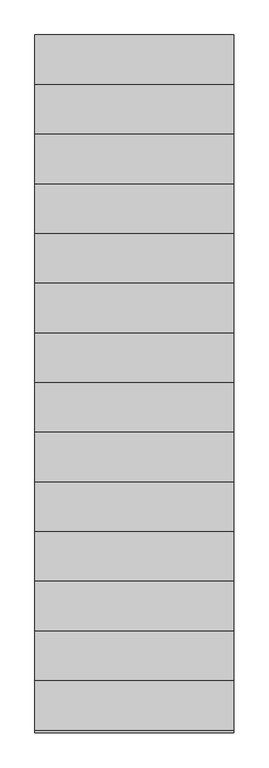
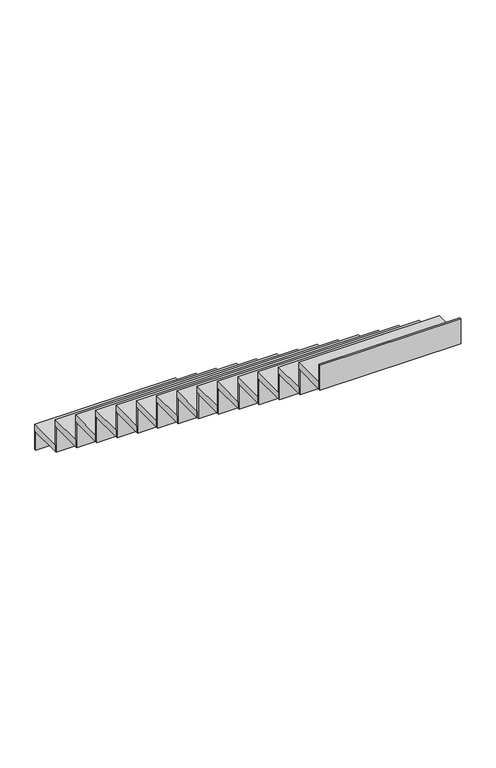
"""IFC4 building model written with IfcOpenShell, lengths in millimetres: stair flight geometry."""

from ifc_helpers import new_model, si_unit, frame, origin, origin_with_axes, place, context, project, spatial, polyline, outline, extrude, source, transform, mapped, element, save


def stair_flight_ae95f458(model_context):
    return source(origin(), model_context, "Body", "SweptSolid", [
        extrude(outline(polyline([(28619.9045205, 2081.9585326), (28619.9045205, 2094.4585326), (29619.9045205, 2094.4585326), (29619.9045205, 2081.9585326), (28619.9045205, 2081.9585326)])), origin_with_axes(), (0.0, 0.0, 1.0), 137.5),
        extrude(outline(polyline([(29619.9045205, 1844.4585326), (28619.9045205, 1844.4585326), (28619.9045205, 2094.4585326), (29619.9045205, 2094.4585326), (29619.9045205, 1844.4585326)])), frame((0.0, 0.0, 137.5), z_axis=(0.0, 0.0, 1.0), x_axis=(1.0, 0.0, 0.0)), (0.0, 0.0, 1.0), 50.0),
        extrude(outline(polyline([(28619.9045205, 1831.9585326), (28619.9045205, 1844.4585326), (29619.9045205, 1844.4585326), (29619.9045205, 1831.9585326), (28619.9045205, 1831.9585326)])), frame((0.0, 0.0, 137.5), z_axis=(0.0, 0.0, 1.0), x_axis=(1.0, 0.0, 0.0)), (0.0, 0.0, 1.0), 187.5),
        extrude(outline(polyline([(29619.9045205, 1594.4585326), (28619.9045205, 1594.4585326), (28619.9045205, 1844.4585326), (29619.9045205, 1844.4585326), (29619.9045205, 1594.4585326)])), frame((0.0, 0.0, 325.0), z_axis=(0.0, 0.0, 1.0), x_axis=(1.0, 0.0, 0.0)), (0.0, 0.0, 1.0), 50.0),
        extrude(outline(polyline([(28619.9045205, 1581.9585326), (28619.9045205, 1594.4585326), (29619.9045205, 1594.4585326), (29619.9045205, 1581.9585326), (28619.9045205, 1581.9585326)])), frame((0.0, 0.0, 325.0), z_axis=(0.0, 0.0, 1.0), x_axis=(1.0, 0.0, 0.0)), (0.0, 0.0, 1.0), 187.5),
        extrude(outline(polyline([(29619.9045205, 1344.4585326), (28619.9045205, 1344.4585326), (28619.9045205, 1594.4585326), (29619.9045205, 1594.4585326), (29619.9045205, 1344.4585326)])), frame((0.0, 0.0, 512.5), z_axis=(0.0, 0.0, 1.0), x_axis=(1.0, 0.0, 0.0)), (0.0, 0.0, 1.0), 50.0),
        extrude(outline(polyline([(28619.9045205, 1331.9585326), (28619.9045205, 1344.4585326), (29619.9045205, 1344.4585326), (29619.9045205, 1331.9585326), (28619.9045205, 1331.9585326)])), frame((0.0, 0.0, 512.5), z_axis=(0.0, 0.0, 1.0), x_axis=(1.0, 0.0, 0.0)), (0.0, 0.0, 1.0), 187.5),
        extrude(outline(polyline([(29619.9045205, 1094.4585326), (28619.9045205, 1094.4585326), (28619.9045205, 1344.4585326), (29619.9045205, 1344.4585326), (29619.9045205, 1094.4585326)])), frame((0.0, 0.0, 700.0), z_axis=(0.0, 0.0, 1.0), x_axis=(1.0, 0.0, 0.0)), (0.0, 0.0, 1.0), 50.0),
        extrude(outline(polyline([(28619.9045205, 1081.9585326), (28619.9045205, 1094.4585326), (29619.9045205, 1094.4585326), (29619.9045205, 1081.9585326), (28619.9045205, 1081.9585326)])), frame((0.0, 0.0, 700.0), z_axis=(0.0, 0.0, 1.0), x_axis=(1.0, 0.0, 0.0)), (0.0, 0.0, 1.0), 187.5),
        extrude(outline(polyline([(29619.9045205, 844.4585326), (28619.9045205, 844.4585326), (28619.9045205, 1094.4585326), (29619.9045205, 1094.4585326), (29619.9045205, 844.4585326)])), frame((0.0, 0.0, 887.5), z_axis=(0.0, 0.0, 1.0), x_axis=(1.0, 0.0, 0.0)), (0.0, 0.0, 1.0), 50.0),
        extrude(outline(polyline([(28619.9045205, 831.9585326), (28619.9045205, 844.4585326), (29619.9045205, 844.4585326), (29619.9045205, 831.9585326), (28619.9045205, 831.9585326)])), frame((0.0, 0.0, 887.5), z_axis=(0.0, 0.0, 1.0), x_axis=(1.0, 0.0, 0.0)), (0.0, 0.0, 1.0), 187.5),
        extrude(outline(polyline([(29619.9045205, 594.4585326), (28619.9045205, 594.4585326), (28619.9045205, 844.4585326), (29619.9045205, 844.4585326), (29619.9045205, 594.4585326)])), frame((0.0, 0.0, 1075.0), z_axis=(0.0, 0.0, 1.0), x_axis=(1.0, 0.0, 0.0)), (0.0, 0.0, 1.0), 50.0),
        extrude(outline(polyline([(28619.9045205, 581.9585326), (28619.9045205, 594.4585326), (29619.9045205, 594.4585326), (29619.9045205, 581.9585326), (28619.9045205, 581.9585326)])), frame((0.0, 0.0, 1075.0), z_axis=(0.0, 0.0, 1.0), x_axis=(1.0, 0.0, 0.0)), (0.0, 0.0, 1.0), 187.5),
        extrude(outline(polyline([(29619.9045205, 344.4585326), (28619.9045205, 344.4585326), (28619.9045205, 594.4585326), (29619.9045205, 594.4585326), (29619.9045205, 344.4585326)])), frame((0.0, 0.0, 1262.5), z_axis=(0.0, 0.0, 1.0), x_axis=(1.0, 0.0, 0.0)), (0.0, 0.0, 1.0), 50.0),
        extrude(outline(polyline([(28619.9045205, 331.9585326), (28619.9045205, 344.4585326), (29619.9045205, 344.4585326), (29619.9045205, 331.9585326), (28619.9045205, 331.9585326)])), frame((0.0, 0.0, 1262.5), z_axis=(0.0, 0.0, 1.0), x_axis=(1.0, 0.0, 0.0)), (0.0, 0.0, 1.0), 187.5),
        extrude(outline(polyline([(29619.9045205, 94.4585326), (28619.9045205, 94.4585326), (28619.9045205, 344.4585326), (29619.9045205, 344.4585326), (29619.9045205, 94.4585326)])), frame((0.0, 0.0, 1450.0), z_axis=(0.0, 0.0, 1.0), x_axis=(1.0, 0.0, 0.0)), (0.0, 0.0, 1.0), 50.0),
        extrude(outline(polyline([(28619.9045205, 81.9585326), (28619.9045205, 94.4585326), (29619.9045205, 94.4585326), (29619.9045205, 81.9585326), (28619.9045205, 81.9585326)])), frame((0.0, 0.0, 1450.0), z_axis=(0.0, 0.0, 1.0), x_axis=(1.0, 0.0, 0.0)), (0.0, 0.0, 1.0), 187.5),
        extrude(outline(polyline([(29619.9045205, -155.5414674), (28619.9045205, -155.5414674), (28619.9045205, 94.4585326), (29619.9045205, 94.4585326), (29619.9045205, -155.5414674)])), frame((0.0, 0.0, 1637.5), z_axis=(0.0, 0.0, 1.0), x_axis=(1.0, 0.0, 0.0)), (0.0, 0.0, 1.0), 50.0),
        extrude(outline(polyline([(28619.9045205, -168.0414674), (28619.9045205, -155.5414674), (29619.9045205, -155.5414674), (29619.9045205, -168.0414674), (28619.9045205, -168.0414674)])), frame((0.0, 0.0, 1637.5), z_axis=(0.0, 0.0, 1.0), x_axis=(1.0, 0.0, 0.0)), (0.0, 0.0, 1.0), 187.5),
        extrude(outline(polyline([(29619.9045205, -405.5414674), (28619.9045205, -405.5414674), (28619.9045205, -155.5414674), (29619.9045205, -155.5414674), (29619.9045205, -405.5414674)])), frame((0.0, 0.0, 1825.0), z_axis=(0.0, 0.0, 1.0), x_axis=(1.0, 0.0, 0.0)), (0.0, 0.0, 1.0), 50.0),
        extrude(outline(polyline([(28619.9045205, -418.0414674), (28619.9045205, -405.5414674), (29619.9045205, -405.5414674), (29619.9045205, -418.0414674), (28619.9045205, -418.0414674)])), frame((0.0, 0.0, 1825.0), z_axis=(0.0, 0.0, 1.0), x_axis=(1.0, 0.0, 0.0)), (0.0, 0.0, 1.0), 187.5),
        extrude(outline(polyline([(29619.9045205, -655.5414674), (28619.9045205, -655.5414674), (28619.9045205, -405.5414674), (29619.9045205, -405.5414674), (29619.9045205, -655.5414674)])), frame((0.0, 0.0, 2012.5), z_axis=(0.0, 0.0, 1.0), x_axis=(1.0, 0.0, 0.0)), (0.0, 0.0, 1.0), 50.0),
        extrude(outline(polyline([(28619.9045205, -668.0414674), (28619.9045205, -655.5414674), (29619.9045205, -655.5414674), (29619.9045205, -668.0414674), (28619.9045205, -668.0414674)])), frame((0.0, 0.0, 2012.5), z_axis=(0.0, 0.0, 1.0), x_axis=(1.0, 0.0, 0.0)), (0.0, 0.0, 1.0), 187.5),
        extrude(outline(polyline([(29619.9045205, -905.5414674), (28619.9045205, -905.5414674), (28619.9045205, -655.5414674), (29619.9045205, -655.5414674), (29619.9045205, -905.5414674)])), frame((0.0, 0.0, 2200.0), z_axis=(0.0, 0.0, 1.0), x_axis=(1.0, 0.0, 0.0)), (0.0, 0.0, 1.0), 50.0),
        extrude(outline(polyline([(28619.9045205, -918.0414674), (28619.9045205, -905.5414674), (29619.9045205, -905.5414674), (29619.9045205, -918.0414674), (28619.9045205, -918.0414674)])), frame((0.0, 0.0, 2200.0), z_axis=(0.0, 0.0, 1.0), x_axis=(1.0, 0.0, 0.0)), (0.0, 0.0, 1.0), 187.5),
        extrude(outline(polyline([(29619.9045205, -1155.5414674), (28619.9045205, -1155.5414674), (28619.9045205, -905.5414674), (29619.9045205, -905.5414674), (29619.9045205, -1155.5414674)])), frame((0.0, 0.0, 2387.5), z_axis=(0.0, 0.0, 1.0), x_axis=(1.0, 0.0, 0.0)), (0.0, 0.0, 1.0), 50.0),
        extrude(outline(polyline([(28619.9045205, -1168.0414674), (28619.9045205, -1155.5414674), (29619.9045205, -1155.5414674), (29619.9045205, -1168.0414674), (28619.9045205, -1168.0414674)])), frame((0.0, 0.0, 2387.5), z_axis=(0.0, 0.0, 1.0), x_axis=(1.0, 0.0, 0.0)), (0.0, 0.0, 1.0), 187.5),
        extrude(outline(polyline([(28619.9045205, -1418.0414674), (28619.9045205, -1405.5414674), (29619.9045205, -1405.5414674), (29619.9045205, -1418.0414674), (28619.9045205, -1418.0414674)])), frame((0.0, 0.0, 2575.0), z_axis=(0.0, 0.0, 1.0), x_axis=(1.0, 0.0, 0.0)), (0.0, 0.0, 1.0), 187.5),
        extrude(outline(polyline([(29619.9045205, -1405.5414674), (28619.9045205, -1405.5414674), (28619.9045205, -1155.5414674), (29619.9045205, -1155.5414674), (29619.9045205, -1405.5414674)])), frame((0.0, 0.0, 2575.0), z_axis=(0.0, 0.0, 1.0), x_axis=(1.0, 0.0, 0.0)), (0.0, 0.0, 1.0), 50.0),
    ])


if __name__ == "__main__":
    model = new_model("IFC4")
    model_context = context("Model", 3, world=origin())
    ifc_project = project(units=[si_unit("LENGTHUNIT", "METRE", prefix="MILLI")], contexts=[model_context])
    site = spatial("IfcSite", under=ifc_project)
    building = spatial("IfcBuilding", under=site)
    placement = place(None, origin())
    stair_flight_shape = stair_flight_ae95f458(model_context)
    element("IfcStairFlight", 1, at=placement, inside=building, context=model_context, shape_type="MappedRepresentation", body=[
        mapped(stair_flight_shape, transform((0.0, 0.0, 0.0), x_axis=(1.0, 0.0, 0.0), y_axis=(0.0, 1.0, 0.0), z_axis=(0.0, 0.0, 1.0))),
    ])
    save(model, "model.ifc")
